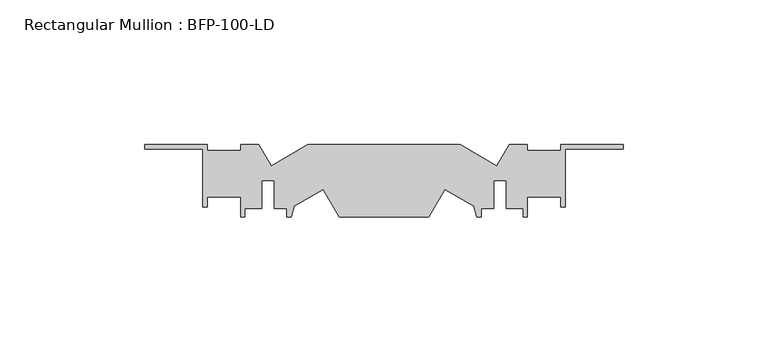
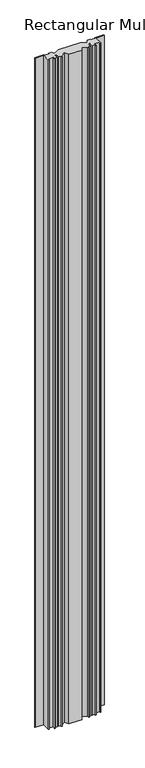
"""IFC4 building model written with IfcOpenShell, lengths in millimetres: member geometry, Rectangular Mullion : BFP-100-LD."""

from ifc_helpers import new_model, si_unit, frame, origin, place, context, project, spatial, polyline, outline, extrude, source, transform, mapped, element, save


def rectangular_mullion_bfp_100_ld_59ccb39f(model_context):
    return source(origin(), model_context, "Body", "SweptSolid", [
        extrude(outline(polyline([(38.9790017, -27.3331761), (43.2128129, -20.0), (49.5, -20.0), (49.5, -22.0), (61.0, -22.0), (61.0, -20.0), (82.5, -20.0), (82.5, -21.5), (62.5, -21.5), (62.5, -41.5), (61.0, -41.5), (61.0, -38.0), (49.5, -38.0), (49.5, -45.0), (48.0, -45.0), (48.0, -42.0), (42.1, -42.0), (42.1, -32.4), (37.9, -32.4), (37.9, -42.0), (33.5, -42.0), (33.5, -45.0), (32.0, -45.0), (30.9790017, -41.1895826), (21.0197096, -35.4395826), (15.5, -45.0), (-15.5, -45.0), (-21.0197096, -35.4395826), (-30.9790017, -41.1895826), (-32.0, -45.0), (-33.5, -45.0), (-33.5, -42.0), (-37.9, -42.0), (-37.9, -32.4), (-42.1, -32.4), (-42.1, -42.0), (-48.0, -42.0), (-48.0, -45.0), (-49.5, -45.0), (-49.5, -38.0), (-61.0, -38.0), (-61.0, -41.5), (-62.5, -41.5), (-62.5, -21.5), (-82.5, -21.5), (-82.5, -20.0), (-61.0, -20.0), (-61.0, -22.0), (-49.5, -22.0), (-49.5, -20.0), (-43.2128129, -20.0), (-38.9790017, -27.3331761), (-26.2775681, -20.0), (26.2775681, -20.0), (38.9790017, -27.3331761)])), frame((0.0, 0.0, -1694.0), z_axis=(0.0, 0.0, 1.0), x_axis=(1.0, 0.0, 0.0)), (0.0, 0.0, 1.0), 1694.0),
    ])


if __name__ == "__main__":
    model = new_model("IFC4")
    model_context = context("Model", 3, world=origin())
    ifc_project = project(units=[si_unit("LENGTHUNIT", "METRE", prefix="MILLI")], contexts=[model_context])
    site = spatial("IfcSite", under=ifc_project)
    building = spatial("IfcBuilding", under=site)
    placement = place(None, origin())
    rectangular_mullion_bfp_100_ld_shape = rectangular_mullion_bfp_100_ld_59ccb39f(model_context)
    element("IfcMember", 1, ObjectType="Rectangular Mullion : BFP-100-LD", at=placement, inside=building, context=model_context, shape_type="MappedRepresentation", body=[
        mapped(rectangular_mullion_bfp_100_ld_shape, transform((0.0, 0.0, 0.0), x_axis=(1.0, 0.0, 0.0), y_axis=(0.0, 1.0, 0.0), z_axis=(0.0, 0.0, 1.0))),
    ])
    save(model, "model.ifc")
